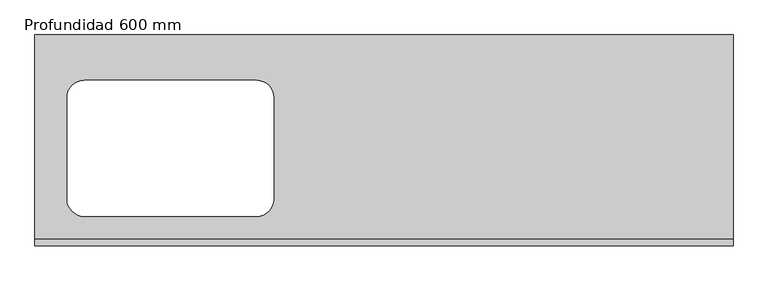
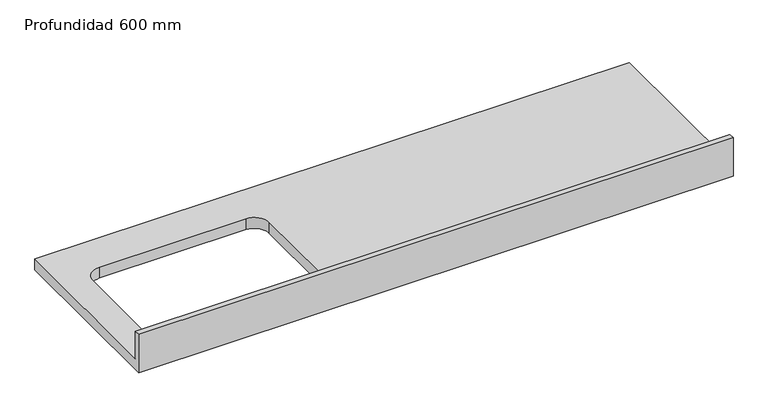
"""IFC4 building model written with IfcOpenShell, lengths in millimetres: furniture geometry, Profundidad 600 mm."""

from ifc_helpers import new_model, si_unit, frame, origin, place, context, project, spatial, polyline, circle_curve, source, transform, mapped, element, save
from ifc_brep_helpers import plane_surface, revolved_surface, advanced_brep


def profundidad_600_mm_a7364ca8(model_context):
    return source(origin(), model_context, "Body", "AdvancedBrep", [
        advanced_brep(
        [(-1200.4622951, 625.0, 900.0), (-1200.4622951, 19.05, 900.0), (868.6781284, 19.05, 900.0), (868.6781284, 625.0, 900.0), (-1054.220026, 87.3, 900.0), (-1105.020026, 138.1, 900.0), (-1105.020026, 439.9, 900.0), (-1054.220026, 490.7, 900.0), (-543.420026, 490.7, 900.0), (-492.620026, 439.9, 900.0), (-492.620026, 138.1, 900.0), (-543.420026, 87.3, 900.0), (868.6781284, 0.0, 860.0), (-1200.4622951, 0.0, 860.0), (-1200.4622951, 625.0, 860.0), (868.6781284, 625.0, 860.0), (-543.420026, 87.3, 860.0), (-492.620026, 138.1, 860.0), (-492.620026, 439.9, 860.0), (-543.420026, 490.7, 860.0), (-1054.220026, 490.7, 860.0), (-1105.020026, 439.9, 860.0), (-1105.020026, 138.1, 860.0), (-1054.220026, 87.3, 860.0), (868.6781284, 0.0, 1001.6), (-1200.4622951, 0.0, 1001.6), (-1200.4622951, 19.05, 1001.6), (868.6781284, 19.05, 1001.6)],
        [
            (0, 1),
            (1, 2),
            (2, 3),
            (3, 0),
            (4, 5, circle_curve(frame((-1054.220026, 138.1, 900.0), z_axis=(0.0, 0.0, -1.0), x_axis=(1.0, 0.0, 0.0)), 50.8)),
            (5, 6),
            (6, 7, circle_curve(frame((-1054.220026, 439.9, 900.0), z_axis=(0.0, 0.0, -1.0), x_axis=(1.0, 0.0, 0.0)), 50.8)),
            (7, 8),
            (8, 9, circle_curve(frame((-543.420026, 439.9, 900.0), z_axis=(0.0, 0.0, -1.0), x_axis=(1.0, 0.0, 0.0)), 50.8)),
            (9, 10),
            (10, 11, circle_curve(frame((-543.420026, 138.1, 900.0), z_axis=(0.0, 0.0, -1.0), x_axis=(1.0, 0.0, 0.0)), 50.8)),
            (11, 4),
            (12, 13),
            (13, 14),
            (14, 15),
            (15, 12),
            (16, 17, circle_curve(frame((-543.420026, 138.1, 860.0), z_axis=(0.0, 0.0, 1.0), x_axis=(1.0, 0.0, 0.0)), 50.8)),
            (17, 18),
            (18, 19, circle_curve(frame((-543.420026, 439.9, 860.0), z_axis=(0.0, 0.0, 1.0), x_axis=(1.0, 0.0, 0.0)), 50.8)),
            (19, 20),
            (20, 21, circle_curve(frame((-1054.220026, 439.9, 860.0), z_axis=(0.0, 0.0, 1.0), x_axis=(1.0, 0.0, 0.0)), 50.8)),
            (21, 22),
            (22, 23, circle_curve(frame((-1054.220026, 138.1, 860.0), z_axis=(0.0, 0.0, 1.0), x_axis=(1.0, 0.0, 0.0)), 50.8)),
            (23, 16),
            (12, 24),
            (24, 25),
            (25, 13),
            (25, 26),
            (26, 1),
            (0, 14),
            (3, 15),
            (2, 27),
            (27, 24),
            (27, 26),
            (11, 16),
            (23, 4),
            (22, 5),
            (21, 6),
            (20, 7),
            (19, 8),
            (18, 9),
            (17, 10),
        ],
        [
            plane_surface(frame((-1200.4622951, 0.0, 900.0), z_axis=(0.0, 0.0, 1.0), x_axis=(-1.0, 0.0, 0.0))),
            plane_surface(frame((-1200.4622951, 0.0, 860.0), z_axis=(0.0, 0.0, -1.0), x_axis=(1.0, 0.0, 0.0))),
            plane_surface(frame((868.6781284, 0.0, 900.0), z_axis=(0.0, -1.0, 0.0), x_axis=(0.0, 0.0, -1.0))),
            plane_surface(frame((-1200.4622951, 0.0, 900.0), z_axis=(-1.0, 0.0, 0.0), x_axis=(0.0, 0.0, -1.0))),
            plane_surface(frame((-1200.4622951, 625.0, 900.0), z_axis=(0.0, 1.0, 0.0), x_axis=(0.0, 0.0, -1.0))),
            plane_surface(frame((868.6781284, 625.0, 900.0), z_axis=(1.0, 0.0, 0.0), x_axis=(0.0, 0.0, -1.0))),
            plane_surface(frame((-1200.4622951, 0.0, 1001.6), z_axis=(0.0, 0.0, 1.0), x_axis=(0.0, 1.0, 0.0))),
            plane_surface(frame((-1200.4622951, 19.05, 1001.6), z_axis=(0.0, 1.0, 0.0), x_axis=(0.0, 0.0, -1.0))),
            plane_surface(frame((-543.420026, 87.3, 900.0), z_axis=(0.0, 1.0, 0.0), x_axis=(0.0, 0.0, -1.0))),
            revolved_surface(polyline([(-1003.420026, 138.1, 900.0), (-1003.420026, 138.1, 860.0)]), (-1054.220026, 138.1, 860.0), (0.0, 0.0, 1.0)),
            plane_surface(frame((-1105.020026, 138.1, 900.0), z_axis=(1.0, 0.0, 0.0), x_axis=(0.0, 0.0, -1.0))),
            revolved_surface(polyline([(-1003.420026, 439.9, 900.0), (-1003.420026, 439.9, 860.0)]), (-1054.220026, 439.9, 860.0), (0.0, 0.0, 1.0)),
            plane_surface(frame((-1054.220026, 490.7, 900.0), z_axis=(0.0, -1.0, 0.0), x_axis=(0.0, 0.0, -1.0))),
            revolved_surface(polyline([(-492.620026, 439.9, 900.0), (-492.620026, 439.9, 860.0)]), (-543.420026, 439.9, 860.0), (0.0, 0.0, 1.0)),
            plane_surface(frame((-492.620026, 439.9, 900.0), z_axis=(-1.0, 0.0, 0.0), x_axis=(0.0, 0.0, -1.0))),
            revolved_surface(polyline([(-492.620026, 138.1, 900.0), (-492.620026, 138.1, 860.0)]), (-543.420026, 138.1, 860.0), (0.0, 0.0, 1.0)),
        ],
        [
            (0, [[1, 2, 3, 4], [5, 6, 7, 8, 9, 10, 11, 12]]),
            (1, [[13, 14, 15, 16], [17, 18, 19, 20, 21, 22, 23, 24]]),
            (2, [[25, 26, 27, -13]]),
            (3, [[-27, 28, 29, -1, 30, -14]]),
            (4, [[31, -15, -30, -4]]),
            (5, [[-31, -3, 32, 33, -25, -16]]),
            (6, [[-26, -33, 34, -28]]),
            (7, [[-32, -2, -29, -34]]),
            (8, [[-12, 35, -24, 36]]),
            (9, [[-23, 37, -5, -36]]),
            (10, [[-22, 38, -6, -37]]),
            (11, [[-21, 39, -7, -38]]),
            (12, [[-20, 40, -8, -39]]),
            (13, [[-19, 41, -9, -40]]),
            (14, [[-18, 42, -10, -41]]),
            (15, [[-11, -42, -17, -35]]),
        ],
    ),
    ])


if __name__ == "__main__":
    model = new_model("IFC4")
    model_context = context("Model", 3, world=origin())
    ifc_project = project(units=[si_unit("LENGTHUNIT", "METRE", prefix="MILLI")], contexts=[model_context])
    site = spatial("IfcSite", under=ifc_project)
    building = spatial("IfcBuilding", under=site)
    placement = place(None, origin())
    profundidad_600_mm_shape = profundidad_600_mm_a7364ca8(model_context)
    element("IfcFurniture", 1, ObjectType="Profundidad 600 mm", at=placement, inside=building, context=model_context, shape_type="MappedRepresentation", body=[
        mapped(profundidad_600_mm_shape, transform((0.0, 0.0, 0.0), x_axis=(1.0, 0.0, 0.0), y_axis=(0.0, 1.0, 0.0), z_axis=(0.0, 0.0, 1.0))),
    ])
    save(model, "model.ifc")
